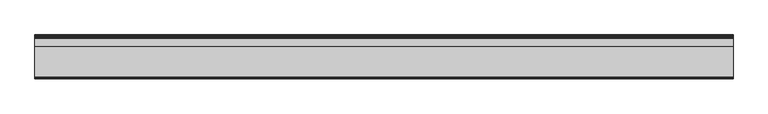
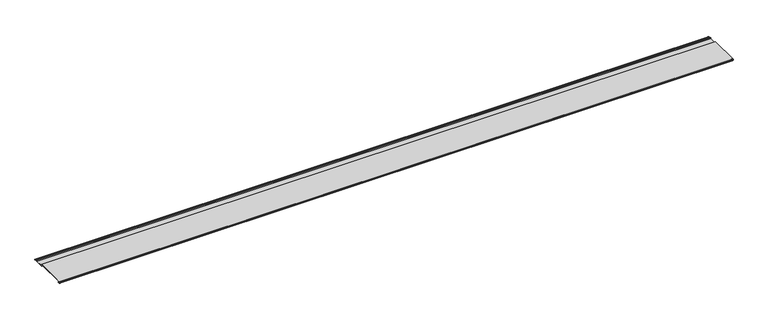
"""IFC4 building model written with IfcOpenShell, lengths in millimetres: proxy geometry."""

from ifc_helpers import new_model, si_unit, point, frame, frame_2d, origin, place, context, project, spatial, polyline, circle_curve, trimmed, segment, composite_curve, outline, extrude, source, transform, mapped, element, save


def generic_models_33474a7b(model_context):
    return source(origin(), model_context, "Body", "SweptSolid", [
        extrude(outline(composite_curve([segment(polyline([(159.0495025, 1.854), (159.0495025, 11.6036962), (2.436262, 11.6036962)]), True, "CONTINUOUS"), segment(trimmed(circle_curve(frame_2d((2.436262, 10.9336947)), 0.6700015), [point((2.436262, 11.6036962))], [point((2.436262, 10.2636933))], True, "CARTESIAN"), True, "CONTINUOUS"), segment(polyline([(2.436262, 10.2636933), (4.0006066, 10.2636933)]), True, "CONTINUOUS"), segment(trimmed(circle_curve(frame_2d((4.9835987, 10.4728624)), 1.005), [point((4.0006066, 10.2636933))], [point((4.9575624, 9.4681997))], True, "CARTESIAN"), True, "CONTINUOUS"), segment(polyline([(4.9575624, 9.4681997), (6.2058546, 9.4358497)]), True, "CONTINUOUS"), segment(trimmed(circle_curve(frame_2d((6.1490182, 7.2426952)), 2.1938908), [point((6.2058546, 9.4358497))], [point((6.1455527, 5.0488071))], False, "CARTESIAN"), True, "CONTINUOUS"), segment(polyline([(6.1455527, 5.0488071), (2.3476255, 5.0488071)]), True, "CONTINUOUS"), segment(trimmed(circle_curve(frame_2d((2.3476255, 5.699422)), 0.6506149), [point((2.3476255, 5.0488071))], [point((2.3476259, 6.3500369))], False, "CARTESIAN"), True, "CONTINUOUS"), segment(polyline([(2.3476259, 6.3500369), (4.5055298, 6.4677115), (6.1490182, 6.4677115)]), True, "CONTINUOUS"), segment(trimmed(circle_curve(frame_2d((6.1490182, 7.3677118)), 0.9000003), [point((6.1490182, 6.4677115))], [point((6.1490182, 8.2677121))], True, "CARTESIAN"), True, "CONTINUOUS"), segment(polyline([(6.1490182, 8.2677121), (4.0181339, 8.2677121), (3.0096612, 8.8536942), (2.09001, 8.8536942), (1.1757961, 8.3536948), (0.3264506, 8.3536948), (0.0, 12.2536957), (0.0, 13.2537076), (160.6994972, 13.2537076), (160.6994972, 3.5037166), (202.8, 3.5037166), (202.8, 8.1468032), (208.6433477, 8.1468032)]), True, "CONTINUOUS"), segment(trimmed(circle_curve(frame_2d((208.6358227, 7.3867821)), 0.7600583), [point((208.6433477, 8.1468032))], [point((208.6304481, 6.6267428))], False, "CARTESIAN"), True, "CONTINUOUS"), segment(polyline([(208.6304481, 6.6267428), (204.3949972, 6.6267428), (204.3949972, 3.5037076), (211.6982866, 3.5037076), (212.4555849, 2.8682589), (218.2481714, 2.8682589), (219.0054698, 3.5036102), (219.9627902, 3.5036102)]), True, "CONTINUOUS"), segment(trimmed(circle_curve(frame_2d((219.9627902, 2.6788051)), 0.8248051), [point((219.9627902, 3.5036102))], [point((219.9627902, 1.854))], False, "CARTESIAN"), True, "CONTINUOUS"), segment(polyline([(219.9627902, 1.854), (159.0495025, 1.854)]), True, "CONTINUOUS")], self_intersect=False)), frame((0.0, 0.0, 0.0), z_axis=(1.0, 0.0, 0.0), x_axis=(0.0, 1.0, 0.0)), (0.0, 0.0, 1.0), 3505.2),
    ])


if __name__ == "__main__":
    model = new_model("IFC4")
    model_context = context("Model", 3, world=origin())
    ifc_project = project(units=[si_unit("LENGTHUNIT", "METRE", prefix="MILLI")], contexts=[model_context])
    site = spatial("IfcSite", under=ifc_project)
    building = spatial("IfcBuilding", under=site)
    placement = place(None, origin())
    generic_models_shape = generic_models_33474a7b(model_context)
    element("IfcBuildingElementProxy", 1, Name="Generic Models", at=placement, inside=building, context=model_context, shape_type="MappedRepresentation", body=[
        mapped(generic_models_shape, transform((0.0, 0.0, 0.0), x_axis=(1.0, 0.0, 0.0), y_axis=(0.0, 1.0, 0.0), z_axis=(0.0, 0.0, 1.0))),
    ])
    save(model, "model.ifc")
